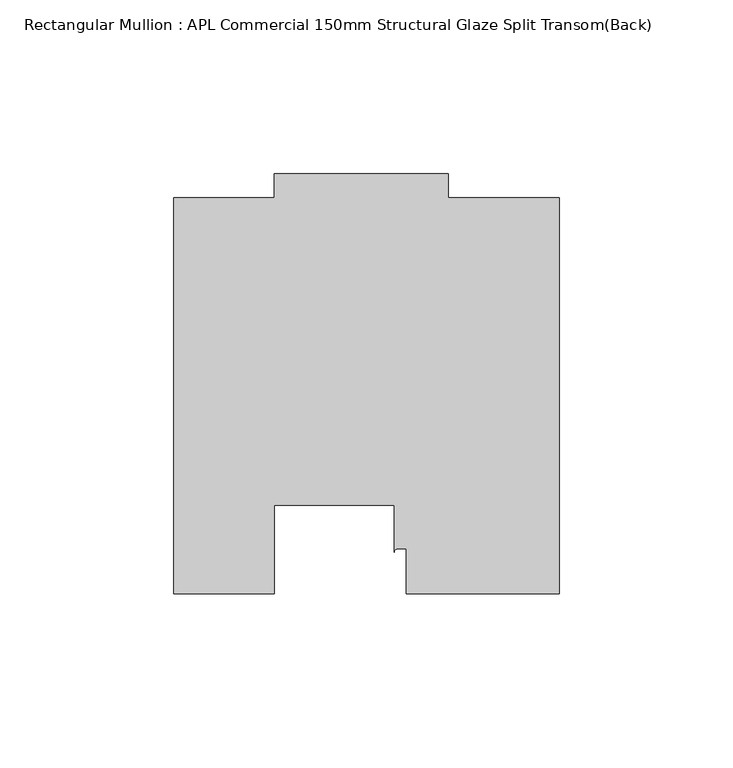
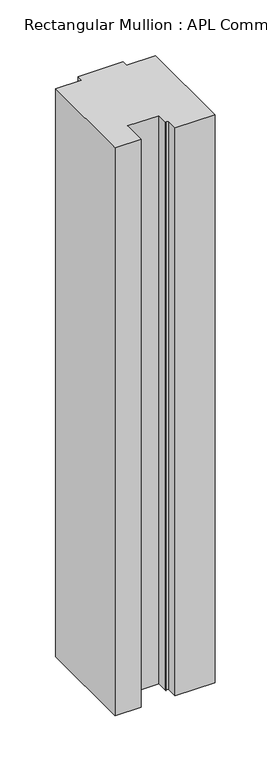
"""IFC4 building model written with IfcOpenShell, lengths in millimetres: member geometry, Rectangular Mullion : APL Commercial 150mm Structural Glaze Split Transom(Back)."""

import ifcopenshell
import ifcopenshell.guid

model = None  # the IFC model being written
_history = None  # IfcOwnerHistory: only IFC2X3 demands one
_inside = {}  # id of a spatial element -> (the spatial element, [elements in it])
_under = {}  # id of a project, library or spatial element -> (it, [spatial elements below it])
_declared = {}  # id of a project -> (the project, [libraries it declares])
_typed = {}  # id of a type object -> (the type object, [elements of that type])
_made_of = {}  # id of a material, layer set ... -> (it, [elements and type objects made of it])


def new_model(schema):
    """Start an empty IFC model of exactly this schema.

    Asked for "IFC4X3", IfcOpenShell would pick the latest addendum, in which some entities
    have other attributes; the version numbers below select the first issue.
    IFC2X3 requires an IfcOwnerHistory on every rooted entity: one is made here for all.
    """
    global model, _history
    if schema == "IFC4X3":
        model = ifcopenshell.file(schema_version=(4, 3, 0, 0))
    else:
        model = ifcopenshell.file(schema=schema)
    _inside.clear()
    _under.clear()
    _declared.clear()
    _typed.clear()
    _made_of.clear()
    _history = None
    if model.schema == "IFC2X3":
        org = make("IfcOrganization", Name="unknown")
        user = make(
            "IfcPersonAndOrganization",
            ThePerson=make("IfcPerson", FamilyName="unknown"),
            TheOrganization=org,
        )
        app = make(
            "IfcApplication",
            ApplicationDeveloper=org,
            Version="unknown",
            ApplicationFullName="unknown",
            ApplicationIdentifier="unknown",
        )
        _history = make(
            "IfcOwnerHistory",
            OwningUser=user,
            OwningApplication=app,
            ChangeAction="ADDED",
            CreationDate=0,
        )
    return model


def make(cls, **values):
    """One entity of the class cls with the attributes given. An attribute that is None is left unset."""
    return model.create_entity(
        cls, **{name: value for name, value in values.items() if value is not None}
    )


def rooted(cls, **values):
    """An entity with a GlobalId (a new one), such as an element, a storey or a relation."""
    return make(cls, GlobalId=ifcopenshell.guid.new(), OwnerHistory=_history, **values)


def si_unit(unit_type, name, prefix=None):
    """IfcSIUnit, for example si_unit("LENGTHUNIT", "METRE", prefix="MILLI")."""
    return make("IfcSIUnit", UnitType=unit_type, Prefix=prefix, Name=name)


def assignment(units):
    """IfcUnitAssignment: the units of a project."""
    return None if units is None else make("IfcUnitAssignment", Units=units)


def point(xyz):
    """IfcCartesianPoint."""
    return None if xyz is None else make("IfcCartesianPoint", Coordinates=xyz)


def direction(xyz):
    """IfcDirection."""
    return None if xyz is None else make("IfcDirection", DirectionRatios=xyz)


def frame(location, z_axis=None, x_axis=None):
    """IfcAxis2Placement3D, a coordinate frame: its origin and axes. An axis left out is left unset."""
    return make(
        "IfcAxis2Placement3D",
        Location=point(location),
        Axis=direction(z_axis),
        RefDirection=direction(x_axis),
    )


def frame_2d(location, x_axis=None):
    """IfcAxis2Placement2D, a coordinate frame in the plane: its origin and x axis."""
    return make(
        "IfcAxis2Placement2D", Location=point(location), RefDirection=direction(x_axis)
    )


def origin():
    """The frame at (0, 0, 0) with its axes left unset."""
    return frame((0.0, 0.0, 0.0))


def place(relative_to, where):
    """IfcLocalPlacement: puts the frame where relative to a parent placement (None: the world)."""
    return make(
        "IfcLocalPlacement", PlacementRelTo=relative_to, RelativePlacement=where
    )


def context(
    kind, dimensions, precision=None, world=None, true_north=None, identifier=None
):
    """IfcGeometricRepresentationContext, for example the 3D "Model" context."""
    return make(
        "IfcGeometricRepresentationContext",
        ContextIdentifier=identifier,
        ContextType=kind,
        CoordinateSpaceDimension=dimensions,
        Precision=precision,
        WorldCoordinateSystem=world,
        TrueNorth=true_north,
    )


def project(units=None, contexts=None):
    """IfcProject with its units and contexts."""
    return rooted(
        "IfcProject",
        Name="project",
        RepresentationContexts=contexts,
        UnitsInContext=assignment(units),
    )


def spatial(cls, under=None, at=None, **own):
    """A site, building, storey or space (cls), placed at a placement, below another one or the project."""
    s = rooted(cls, ObjectPlacement=at, **own)
    if under is not None:
        _under.setdefault(under.id(), (under, []))[1].append(s)
    return s


def polyline(points):
    """IfcPolyline through the points."""
    return make("IfcPolyline", Points=[point(p) for p in points])


def circle_curve(where, radius):
    """IfcCircle in the frame where."""
    return make("IfcCircle", Position=where, Radius=radius)


def trimmed(basis, trim1, trim2, sense, master):
    """IfcTrimmedCurve: the piece of a basis curve between two trims."""
    return make(
        "IfcTrimmedCurve",
        BasisCurve=basis,
        Trim1=trim1,
        Trim2=trim2,
        SenseAgreement=sense,
        MasterRepresentation=master,
    )


def segment(curve, same_sense, transition):
    """IfcCompositeCurveSegment."""
    return make(
        "IfcCompositeCurveSegment",
        Transition=transition,
        SameSense=same_sense,
        ParentCurve=curve,
    )


def composite_curve(segments, self_intersect=None):
    """IfcCompositeCurve: segments joined end to end."""
    return make("IfcCompositeCurve", Segments=segments, SelfIntersect=self_intersect)


def outline(outer, holes=None, kind="AREA"):
    """IfcArbitraryClosedProfileDef: a profile drawn as a closed curve; with holes, ...WithVoids."""
    if holes is None:
        return make("IfcArbitraryClosedProfileDef", ProfileType=kind, OuterCurve=outer)
    return make(
        "IfcArbitraryProfileDefWithVoids",
        ProfileType=kind,
        OuterCurve=outer,
        InnerCurves=holes,
    )


def extrude(swept, where, along, depth):
    """IfcExtrudedAreaSolid: the profile swept, set in the frame where, extruded along a direction by depth."""
    return make(
        "IfcExtrudedAreaSolid",
        SweptArea=swept,
        Position=where,
        ExtrudedDirection=direction(along),
        Depth=depth,
    )


def shape(context_of_items, identifier, shape_type, items):
    """IfcShapeRepresentation: the items that make up one representation, for example the "Body"."""
    return make(
        "IfcShapeRepresentation",
        ContextOfItems=context_of_items,
        RepresentationIdentifier=identifier,
        RepresentationType=shape_type,
        Items=items,
    )


def source(mapping_origin, context_of_items, identifier, shape_type, items):
    """IfcRepresentationMap: a shape defined once, which mapped items show again and again."""
    return make(
        "IfcRepresentationMap",
        MappingOrigin=mapping_origin,
        MappedRepresentation=shape(context_of_items, identifier, shape_type, items),
    )


def transform(
    local_origin,
    x_axis=None,
    y_axis=None,
    z_axis=None,
    scale=None,
    scale2=None,
    scale3=None,
    uniform=True,
):
    """IfcCartesianTransformationOperator3D, or its non-uniform kind. x_axis, y_axis, z_axis: its Axis1, 2, 3."""
    if uniform:
        return make(
            "IfcCartesianTransformationOperator3D",
            Axis1=direction(x_axis),
            Axis2=direction(y_axis),
            LocalOrigin=point(local_origin),
            Scale=scale,
            Axis3=direction(z_axis),
        )
    return make(
        "IfcCartesianTransformationOperator3DnonUniform",
        Axis1=direction(x_axis),
        Axis2=direction(y_axis),
        LocalOrigin=point(local_origin),
        Scale=scale,
        Axis3=direction(z_axis),
        Scale2=scale2,
        Scale3=scale3,
    )


def mapped(mapping_source, mapping_target):
    """IfcMappedItem: shows the shape of a source again, moved by a transform."""
    return make(
        "IfcMappedItem", MappingSource=mapping_source, MappingTarget=mapping_target
    )


def made_of(thing, what):
    """Note that an element or type object is made of a material, layer set ...; save() writes the relation."""
    if what is not None:
        _made_of.setdefault(what.id(), (what, []))[1].append(thing)
    return thing


def element(
    cls,
    number,
    at=None,
    inside=None,
    cuts=None,
    type_object=None,
    material=None,
    context=None,
    identifier="Body",
    shape_type=None,
    held_by="IfcProductDefinitionShape",
    body=None,
    shapes=None,
    **own,
):
    """One element of the class cls, such as IfcWall. Its Tag is "e" and its number.

    at: its placement. inside: the storey or other place that contains it. cuts: it is an
    opening in that element (IfcRelVoidsElement). A single representation is given by context,
    identifier, shape_type and body (its items); several are given by shapes. held_by: the class
    of the entity that holds the representations. save() writes the other relations.
    """
    e = rooted(cls, Tag="e%d" % number, ObjectPlacement=at, **own)
    if body is not None:
        shapes = [shape(context, identifier, shape_type, body)]
    if shapes is not None:
        e.Representation = make(held_by, Representations=shapes)
    if inside is not None:
        _inside.setdefault(inside.id(), (inside, []))[1].append(e)
    if cuts is not None:
        rooted(
            "IfcRelVoidsElement", RelatingBuildingElement=cuts, RelatedOpeningElement=e
        )
    if type_object is not None:
        _typed.setdefault(type_object.id(), (type_object, []))[1].append(e)
    return made_of(e, material)


def aggregate(whole, parts):
    """IfcRelAggregates: a whole, such as a stair, and the parts it consists of."""
    return rooted("IfcRelAggregates", RelatingObject=whole, RelatedObjects=parts)


def save(model, path):
    """Write the relations noted so far, then the file.

    IfcRelAggregates (storeys below a building ...), IfcRelContainedInSpatialStructure (elements
    in a storey), IfcRelDefinesByType, IfcRelAssociatesMaterial and IfcRelDeclares: one each for
    every whole, place, type object, material and project.
    """
    for whole, parts in _under.values():
        aggregate(whole, parts)
    for where, things in _inside.values():
        rooted(
            "IfcRelContainedInSpatialStructure",
            RelatedElements=things,
            RelatingStructure=where,
        )
    for kind, things in _typed.values():
        rooted("IfcRelDefinesByType", RelatedObjects=things, RelatingType=kind)
    for what, things in _made_of.values():
        rooted("IfcRelAssociatesMaterial", RelatedObjects=things, RelatingMaterial=what)
    for by, libraries in _declared.values():
        rooted("IfcRelDeclares", RelatingContext=by, RelatedDefinitions=libraries)
    model.write(path)


def rectangular_mullion_apl_commercial_150mm_structural_glaze_5206f84e(model_context):
    return source(origin(), model_context, "Body", "SweptSolid", [
        extrude(outline(composite_curve([segment(polyline([(54.0000029, 15.0004617), (10.0000029, 15.0004617), (10.0000029, 28.0002131), (7.5000029, 28.0002131)]), True, "CONTINUOUS"), segment(trimmed(circle_curve(frame_2d((7.5000029, 27.0002131)), 1.0), [point((7.5000029, 28.0002131))], [point((6.5000029, 27.0002131))], True, "CARTESIAN"), True, "CONTINUOUS"), segment(polyline([(6.5000029, 27.0002131), (6.5000029, 40.499932), (-28.0000482, 40.499932), (-28.0000482, 15.0001793), (-57.0000004, 15.0001793), (-57.0000004, 129.0002765), (-27.9971154, 129.0002765), (-27.9971154, 136.0003326), (22.0028846, 136.0003326), (22.0028846, 129.0003326), (54.0000029, 129.0003326), (54.0000029, 15.0004617)]), True, "CONTINUOUS")], self_intersect=False)), frame((0.0, 0.0, -666.0250258), z_axis=(0.0, 0.0, 1.0), x_axis=(1.0, 0.0, 0.0)), (0.0, 0.0, 1.0), 666.0250258),
    ])


if __name__ == "__main__":
    model = new_model("IFC4")
    model_context = context("Model", 3, world=origin())
    ifc_project = project(units=[si_unit("LENGTHUNIT", "METRE", prefix="MILLI")], contexts=[model_context])
    site = spatial("IfcSite", under=ifc_project)
    building = spatial("IfcBuilding", under=site)
    placement = place(None, origin())
    rectangular_mullion_apl_commercial_150mm_structural_glaze_shape = rectangular_mullion_apl_commercial_150mm_structural_glaze_5206f84e(model_context)
    element("IfcMember", 1, ObjectType="Rectangular Mullion : APL Commercial 150mm Structural Glaze Split Transom(Back)", at=placement, inside=building, context=model_context, shape_type="MappedRepresentation", body=[
        mapped(rectangular_mullion_apl_commercial_150mm_structural_glaze_shape, transform((0.0, 0.0, 0.0), x_axis=(1.0, 0.0, 0.0), y_axis=(0.0, 1.0, 0.0), z_axis=(0.0, 0.0, 1.0))),
    ])
    save(model, "model.ifc")
